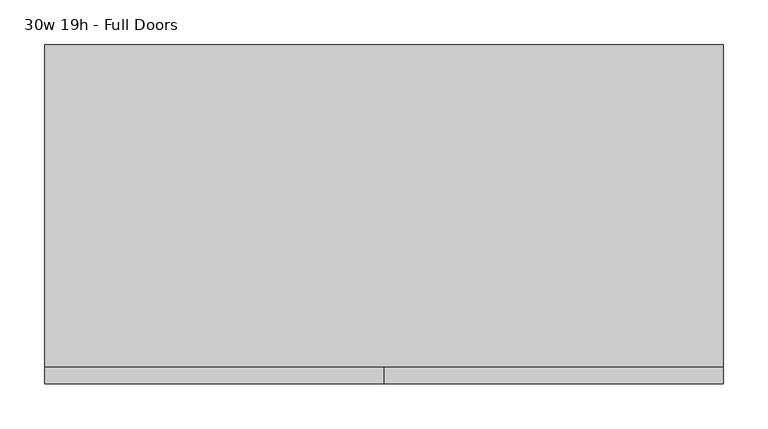
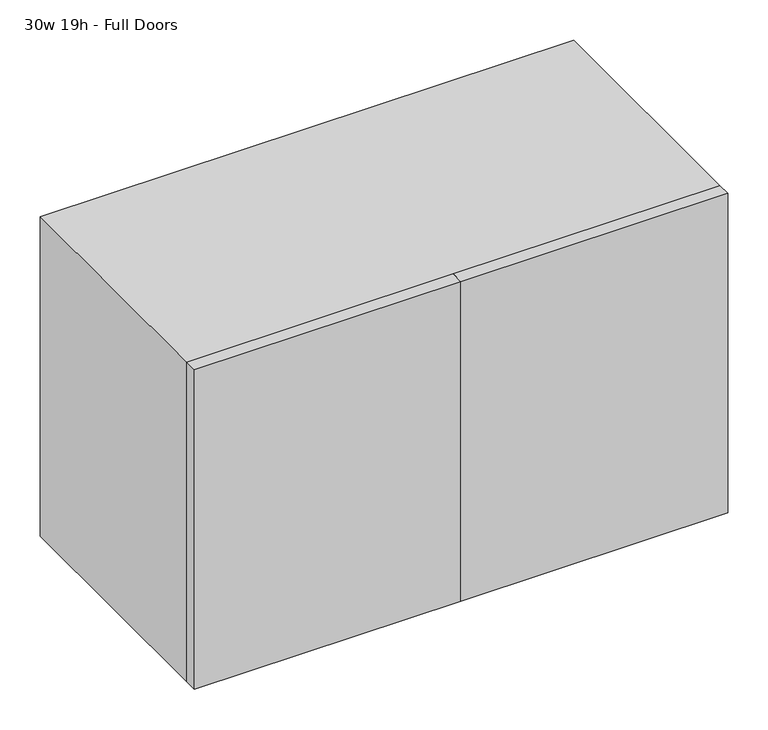
"""IFC4 building model written with IfcOpenShell, lengths in millimetres: furniture geometry, 30w 19h - Full Doors."""

from ifc_helpers import new_model, si_unit, frame, origin, place, context, project, spatial, polyline, outline, extrude, source, transform, mapped, element, save


def furniture_30w_19h_full_doors_43c6ef5b(model_context):
    return source(origin(), model_context, "Body", "SweptSolid", [
        extrude(outline(polyline([(361.9569453, 161.925), (361.9569453, -180.975), (-361.9291641, -180.975), (-361.9291641, 161.925), (361.9569453, 161.925)])), frame((0.0, 0.0, 1055.1583333), z_axis=(0.0, 0.0, 1.0), x_axis=(1.0, 0.0, 0.0)), (0.0, 0.0, 1.0), 19.05),
        extrude(outline(polyline([(361.9569453, 161.925), (361.9569453, -180.975), (-361.9291641, -180.975), (-361.9291641, 161.925), (361.9569453, 161.925)])), frame((0.0, 0.0, 881.5916667), z_axis=(0.0, 0.0, 1.0), x_axis=(1.0, 0.0, 0.0)), (0.0, 0.0, 1.0), 19.05),
        extrude(outline(polyline([(0.0138906, -200.025), (0.0138906, -180.975), (381.0138906, -180.975), (381.0138906, -200.025), (0.0138906, -200.025)])), frame((0.0, 0.0, 736.6), z_axis=(0.0, 0.0, 1.0), x_axis=(1.0, 0.0, 0.0)), (0.0, 0.0, 1.0), 482.6),
        extrude(outline(polyline([(0.0138906, -200.025), (-380.9861094, -200.025), (-380.9861094, -180.975), (0.0138906, -180.975), (0.0138906, -200.025)])), frame((0.0, 0.0, 736.6), z_axis=(0.0, 0.0, 1.0), x_axis=(1.0, 0.0, 0.0)), (0.0, 0.0, 1.0), 482.6),
        extrude(outline(polyline([(736.6, -380.9861094), (736.6, 381.0138906), (1219.2, 381.0138906), (1219.2, -380.9861094), (736.6, -380.9861094)]), holes=[polyline([(755.65, -361.9361094), (1200.15, -361.9361094), (1200.15, 361.9569453), (755.65, 361.9569453), (755.65, -361.9361094)])]), frame((0.0, -180.975, 0.0), z_axis=(0.0, 1.0, 0.0), x_axis=(0.0, 0.0, 1.0)), (0.0, 0.0, 1.0), 361.95),
        extrude(outline(polyline([(-361.9291641, 161.925), (-361.9291641, 180.975), (361.9569453, 180.975), (361.9569453, 161.925), (-361.9291641, 161.925)])), frame((0.0, 0.0, 755.65), z_axis=(0.0, 0.0, 1.0), x_axis=(1.0, 0.0, 0.0)), (0.0, 0.0, 1.0), 444.5),
    ])


if __name__ == "__main__":
    model = new_model("IFC4")
    model_context = context("Model", 3, world=origin())
    ifc_project = project(units=[si_unit("LENGTHUNIT", "METRE", prefix="MILLI")], contexts=[model_context])
    site = spatial("IfcSite", under=ifc_project)
    building = spatial("IfcBuilding", under=site)
    placement = place(None, origin())
    furniture_30w_19h_full_doors_shape = furniture_30w_19h_full_doors_43c6ef5b(model_context)
    element("IfcFurniture", 1, ObjectType="30w 19h - Full Doors", at=placement, inside=building, context=model_context, shape_type="MappedRepresentation", body=[
        mapped(furniture_30w_19h_full_doors_shape, transform((0.0, 0.0, 0.0), x_axis=(1.0, 0.0, 0.0), y_axis=(0.0, 1.0, 0.0), z_axis=(0.0, 0.0, 1.0))),
    ])
    save(model, "model.ifc")
